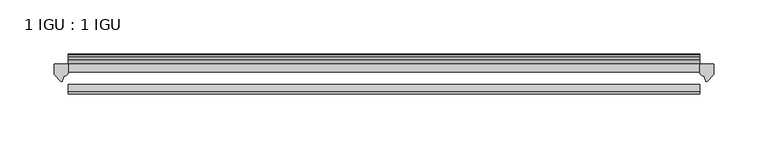
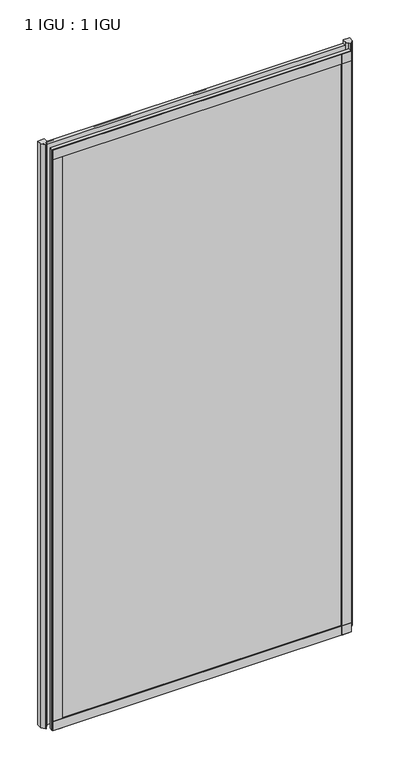
"""IFC4 building model written with IfcOpenShell, lengths in millimetres: plate geometry, 1 IGU : 1 IGU."""

import ifcopenshell
import ifcopenshell.guid

model = None  # the IFC model being written
_history = None  # IfcOwnerHistory: only IFC2X3 demands one
_inside = {}  # id of a spatial element -> (the spatial element, [elements in it])
_under = {}  # id of a project, library or spatial element -> (it, [spatial elements below it])
_declared = {}  # id of a project -> (the project, [libraries it declares])
_typed = {}  # id of a type object -> (the type object, [elements of that type])
_made_of = {}  # id of a material, layer set ... -> (it, [elements and type objects made of it])


def new_model(schema):
    """Start an empty IFC model of exactly this schema.

    Asked for "IFC4X3", IfcOpenShell would pick the latest addendum, in which some entities
    have other attributes; the version numbers below select the first issue.
    IFC2X3 requires an IfcOwnerHistory on every rooted entity: one is made here for all.
    """
    global model, _history
    if schema == "IFC4X3":
        model = ifcopenshell.file(schema_version=(4, 3, 0, 0))
    else:
        model = ifcopenshell.file(schema=schema)
    _inside.clear()
    _under.clear()
    _declared.clear()
    _typed.clear()
    _made_of.clear()
    _history = None
    if model.schema == "IFC2X3":
        org = make("IfcOrganization", Name="unknown")
        user = make(
            "IfcPersonAndOrganization",
            ThePerson=make("IfcPerson", FamilyName="unknown"),
            TheOrganization=org,
        )
        app = make(
            "IfcApplication",
            ApplicationDeveloper=org,
            Version="unknown",
            ApplicationFullName="unknown",
            ApplicationIdentifier="unknown",
        )
        _history = make(
            "IfcOwnerHistory",
            OwningUser=user,
            OwningApplication=app,
            ChangeAction="ADDED",
            CreationDate=0,
        )
    return model


def make(cls, **values):
    """One entity of the class cls with the attributes given. An attribute that is None is left unset."""
    return model.create_entity(
        cls, **{name: value for name, value in values.items() if value is not None}
    )


def rooted(cls, **values):
    """An entity with a GlobalId (a new one), such as an element, a storey or a relation."""
    return make(cls, GlobalId=ifcopenshell.guid.new(), OwnerHistory=_history, **values)


def si_unit(unit_type, name, prefix=None):
    """IfcSIUnit, for example si_unit("LENGTHUNIT", "METRE", prefix="MILLI")."""
    return make("IfcSIUnit", UnitType=unit_type, Prefix=prefix, Name=name)


def assignment(units):
    """IfcUnitAssignment: the units of a project."""
    return None if units is None else make("IfcUnitAssignment", Units=units)


def point(xyz):
    """IfcCartesianPoint."""
    return None if xyz is None else make("IfcCartesianPoint", Coordinates=xyz)


def direction(xyz):
    """IfcDirection."""
    return None if xyz is None else make("IfcDirection", DirectionRatios=xyz)


def frame(location, z_axis=None, x_axis=None):
    """IfcAxis2Placement3D, a coordinate frame: its origin and axes. An axis left out is left unset."""
    return make(
        "IfcAxis2Placement3D",
        Location=point(location),
        Axis=direction(z_axis),
        RefDirection=direction(x_axis),
    )


def frame_2d(location, x_axis=None):
    """IfcAxis2Placement2D, a coordinate frame in the plane: its origin and x axis."""
    return make(
        "IfcAxis2Placement2D", Location=point(location), RefDirection=direction(x_axis)
    )


def origin():
    """The frame at (0, 0, 0) with its axes left unset."""
    return frame((0.0, 0.0, 0.0))


def place(relative_to, where):
    """IfcLocalPlacement: puts the frame where relative to a parent placement (None: the world)."""
    return make(
        "IfcLocalPlacement", PlacementRelTo=relative_to, RelativePlacement=where
    )


def context(
    kind, dimensions, precision=None, world=None, true_north=None, identifier=None
):
    """IfcGeometricRepresentationContext, for example the 3D "Model" context."""
    return make(
        "IfcGeometricRepresentationContext",
        ContextIdentifier=identifier,
        ContextType=kind,
        CoordinateSpaceDimension=dimensions,
        Precision=precision,
        WorldCoordinateSystem=world,
        TrueNorth=true_north,
    )


def project(units=None, contexts=None):
    """IfcProject with its units and contexts."""
    return rooted(
        "IfcProject",
        Name="project",
        RepresentationContexts=contexts,
        UnitsInContext=assignment(units),
    )


def spatial(cls, under=None, at=None, **own):
    """A site, building, storey or space (cls), placed at a placement, below another one or the project."""
    s = rooted(cls, ObjectPlacement=at, **own)
    if under is not None:
        _under.setdefault(under.id(), (under, []))[1].append(s)
    return s


def polyline(points):
    """IfcPolyline through the points."""
    return make("IfcPolyline", Points=[point(p) for p in points])


def circle_curve(where, radius):
    """IfcCircle in the frame where."""
    return make("IfcCircle", Position=where, Radius=radius)


def trimmed(basis, trim1, trim2, sense, master):
    """IfcTrimmedCurve: the piece of a basis curve between two trims."""
    return make(
        "IfcTrimmedCurve",
        BasisCurve=basis,
        Trim1=trim1,
        Trim2=trim2,
        SenseAgreement=sense,
        MasterRepresentation=master,
    )


def segment(curve, same_sense, transition):
    """IfcCompositeCurveSegment."""
    return make(
        "IfcCompositeCurveSegment",
        Transition=transition,
        SameSense=same_sense,
        ParentCurve=curve,
    )


def composite_curve(segments, self_intersect=None):
    """IfcCompositeCurve: segments joined end to end."""
    return make("IfcCompositeCurve", Segments=segments, SelfIntersect=self_intersect)


def outline(outer, holes=None, kind="AREA"):
    """IfcArbitraryClosedProfileDef: a profile drawn as a closed curve; with holes, ...WithVoids."""
    if holes is None:
        return make("IfcArbitraryClosedProfileDef", ProfileType=kind, OuterCurve=outer)
    return make(
        "IfcArbitraryProfileDefWithVoids",
        ProfileType=kind,
        OuterCurve=outer,
        InnerCurves=holes,
    )


def extrude(swept, where, along, depth):
    """IfcExtrudedAreaSolid: the profile swept, set in the frame where, extruded along a direction by depth."""
    return make(
        "IfcExtrudedAreaSolid",
        SweptArea=swept,
        Position=where,
        ExtrudedDirection=direction(along),
        Depth=depth,
    )


def shape(context_of_items, identifier, shape_type, items):
    """IfcShapeRepresentation: the items that make up one representation, for example the "Body"."""
    return make(
        "IfcShapeRepresentation",
        ContextOfItems=context_of_items,
        RepresentationIdentifier=identifier,
        RepresentationType=shape_type,
        Items=items,
    )


def source(mapping_origin, context_of_items, identifier, shape_type, items):
    """IfcRepresentationMap: a shape defined once, which mapped items show again and again."""
    return make(
        "IfcRepresentationMap",
        MappingOrigin=mapping_origin,
        MappedRepresentation=shape(context_of_items, identifier, shape_type, items),
    )


def transform(
    local_origin,
    x_axis=None,
    y_axis=None,
    z_axis=None,
    scale=None,
    scale2=None,
    scale3=None,
    uniform=True,
):
    """IfcCartesianTransformationOperator3D, or its non-uniform kind. x_axis, y_axis, z_axis: its Axis1, 2, 3."""
    if uniform:
        return make(
            "IfcCartesianTransformationOperator3D",
            Axis1=direction(x_axis),
            Axis2=direction(y_axis),
            LocalOrigin=point(local_origin),
            Scale=scale,
            Axis3=direction(z_axis),
        )
    return make(
        "IfcCartesianTransformationOperator3DnonUniform",
        Axis1=direction(x_axis),
        Axis2=direction(y_axis),
        LocalOrigin=point(local_origin),
        Scale=scale,
        Axis3=direction(z_axis),
        Scale2=scale2,
        Scale3=scale3,
    )


def mapped(mapping_source, mapping_target):
    """IfcMappedItem: shows the shape of a source again, moved by a transform."""
    return make(
        "IfcMappedItem", MappingSource=mapping_source, MappingTarget=mapping_target
    )


def made_of(thing, what):
    """Note that an element or type object is made of a material, layer set ...; save() writes the relation."""
    if what is not None:
        _made_of.setdefault(what.id(), (what, []))[1].append(thing)
    return thing


def element(
    cls,
    number,
    at=None,
    inside=None,
    cuts=None,
    type_object=None,
    material=None,
    context=None,
    identifier="Body",
    shape_type=None,
    held_by="IfcProductDefinitionShape",
    body=None,
    shapes=None,
    **own,
):
    """One element of the class cls, such as IfcWall. Its Tag is "e" and its number.

    at: its placement. inside: the storey or other place that contains it. cuts: it is an
    opening in that element (IfcRelVoidsElement). A single representation is given by context,
    identifier, shape_type and body (its items); several are given by shapes. held_by: the class
    of the entity that holds the representations. save() writes the other relations.
    """
    e = rooted(cls, Tag="e%d" % number, ObjectPlacement=at, **own)
    if body is not None:
        shapes = [shape(context, identifier, shape_type, body)]
    if shapes is not None:
        e.Representation = make(held_by, Representations=shapes)
    if inside is not None:
        _inside.setdefault(inside.id(), (inside, []))[1].append(e)
    if cuts is not None:
        rooted(
            "IfcRelVoidsElement", RelatingBuildingElement=cuts, RelatedOpeningElement=e
        )
    if type_object is not None:
        _typed.setdefault(type_object.id(), (type_object, []))[1].append(e)
    return made_of(e, material)


def aggregate(whole, parts):
    """IfcRelAggregates: a whole, such as a stair, and the parts it consists of."""
    return rooted("IfcRelAggregates", RelatingObject=whole, RelatedObjects=parts)


def save(model, path):
    """Write the relations noted so far, then the file.

    IfcRelAggregates (storeys below a building ...), IfcRelContainedInSpatialStructure (elements
    in a storey), IfcRelDefinesByType, IfcRelAssociatesMaterial and IfcRelDeclares: one each for
    every whole, place, type object, material and project.
    """
    for whole, parts in _under.values():
        aggregate(whole, parts)
    for where, things in _inside.values():
        rooted(
            "IfcRelContainedInSpatialStructure",
            RelatedElements=things,
            RelatingStructure=where,
        )
    for kind, things in _typed.values():
        rooted("IfcRelDefinesByType", RelatedObjects=things, RelatingType=kind)
    for what, things in _made_of.values():
        rooted("IfcRelAssociatesMaterial", RelatedObjects=things, RelatingMaterial=what)
    for by, libraries in _declared.values():
        rooted("IfcRelDeclares", RelatingContext=by, RelatedDefinitions=libraries)
    model.write(path)


def plate_1_igu_1_igu_8da47ece(model_context):
    return source(origin(), model_context, "Body", "SweptSolid", [
        extrude(outline(polyline([(292.1, -11.6085937), (292.1, -18.8576359), (-292.1, -18.8576359), (-292.1, -11.6085937), (292.1, -11.6085937)])), frame((0.0, 0.0, -19.05), z_axis=(0.0, 0.0, 1.0), x_axis=(1.0, 0.0, 0.0)), (0.0, 0.0, 1.0), 1200.15),
        extrude(outline(polyline([(-292.1, -30.7093937), (292.1, -30.7093937), (292.1, -37.0085937), (-292.1, -37.0085937), (-292.1, -30.7093937)])), frame((0.0, 0.0, -19.05), z_axis=(0.0, 0.0, 1.0), x_axis=(1.0, 0.0, 0.0)), (0.0, 0.0, 1.0), 1200.15),
        extrude(outline(composite_curve([segment(polyline([(305.1779091, -11.6101465), (304.8, -21.3502133), (298.8619467, -27.6095865)]), True, "CONTINUOUS"), segment(trimmed(circle_curve(frame_2d((298.1891407, -27.2518492)), 0.762), [point((298.8619467, -27.6095865))], [point((297.4604364, -27.4746364))], False, "CARTESIAN"), True, "CONTINUOUS"), segment(polyline([(297.4604364, -27.4746364), (296.1986019, -23.3488397)]), True, "CONTINUOUS"), segment(trimmed(circle_curve(frame_2d((298.380559, -16.3834724)), 7.2991286), [point((296.1986019, -23.3488397))], [point((292.1001786, -20.1028944))], False, "CARTESIAN"), True, "CONTINUOUS"), segment(polyline([(292.1001786, -20.1028944), (292.1001786, -12.664425)]), True, "CONTINUOUS"), segment(trimmed(circle_curve(frame_2d((298.3814331, -16.3827796)), 7.2993369), [point((292.1001786, -12.664425))], [point((292.858545, -11.6101465))], False, "CARTESIAN"), True, "CONTINUOUS"), segment(polyline([(292.858545, -11.6101465), (305.1779091, -11.6101465)]), True, "CONTINUOUS")], self_intersect=False)), frame((0.0, 0.0, -19.05), z_axis=(0.0, 0.0, 1.0), x_axis=(1.0, 0.0, 0.0)), (0.0, 0.0, 1.0), 1207.2874),
        extrude(outline(composite_curve([segment(polyline([(-292.1, -11.610702), (-292.1, -20.1014769)]), True, "CONTINUOUS"), segment(trimmed(circle_curve(frame_2d((-298.3811943, -16.3829847)), 7.2993552), [point((-292.1, -20.1014769))], [point((-296.1989498, -23.3484994))], False, "CARTESIAN"), True, "CONTINUOUS"), segment(polyline([(-296.1989498, -23.3484994), (-297.4604364, -27.4746364)]), True, "CONTINUOUS"), segment(trimmed(circle_curve(frame_2d((-298.1891407, -27.2518492)), 0.762), [point((-297.4604364, -27.4746364))], [point((-298.8619467, -27.6095865))], False, "CARTESIAN"), True, "CONTINUOUS"), segment(polyline([(-298.8619467, -27.6095865), (-304.8, -21.3502133), (-305.1779091, -11.610702), (-292.1, -11.610702)]), True, "CONTINUOUS")], self_intersect=False)), frame((0.0, 0.0, -19.05), z_axis=(0.0, 0.0, 1.0), x_axis=(1.0, 0.0, 0.0)), (0.0, 0.0, 1.0), 1207.2874),
        extrude(outline(polyline([(-292.1, -39.2945937), (-292.1, -37.0085937), (292.1, -37.0085937), (292.1, -39.2945937), (-292.1, -39.2945937)])), frame((0.0, 0.0, -19.05), z_axis=(0.0, 0.0, 1.0), x_axis=(1.0, 0.0, 0.0)), (0.0, 0.0, 1.0), 19.05),
        extrude(outline(composite_curve([segment(trimmed(circle_curve(frame_2d((-2.5575611, 32.8538976)), 31.3272753), [point((-11.6085937, 2.8626158))], [point((-2.2024699, 1.5286348))], True, "CARTESIAN"), True, "CONTINUOUS"), segment(polyline([(-2.2024699, 1.5286348), (-2.2024699, 0.0), (-5.2585937, 0.0), (-5.2585937, -5.2345509), (-3.3544944, -5.5797863), (-5.2585937, -8.255), (-5.2585937, -11.471876)]), True, "CONTINUOUS"), segment(trimmed(circle_curve(frame_2d((-6.5285937, -11.471876)), 1.27), [point((-5.2585937, -11.471876))], [point((-7.4547667, -12.340843))], False, "CARTESIAN"), True, "CONTINUOUS"), segment(polyline([(-7.4547667, -12.340843), (-11.6085937, -7.9135609), (-11.6085937, 2.8626158)]), True, "CONTINUOUS")], self_intersect=False)), frame((-292.1, 0.0, 0.0), z_axis=(1.0, 0.0, 0.0), x_axis=(0.0, 1.0, 0.0)), (0.0, 0.0, 1.0), 584.2),
        extrude(outline(composite_curve([segment(trimmed(circle_curve(frame_2d((-6.5285937, 1173.521876)), 1.27), [point((-7.4547667, 1174.390843))], [point((-5.2585937, 1173.521876))], False, "CARTESIAN"), True, "CONTINUOUS"), segment(polyline([(-5.2585937, 1173.521876), (-5.2585937, 1170.305), (-3.3544944, 1167.6297863), (-5.2585937, 1167.2845509), (-5.2585937, 1162.05), (-2.385052, 1162.05)]), True, "CONTINUOUS"), segment(trimmed(circle_curve(frame_2d((-3.2589487, 1161.5317718)), 1.016), [point((-2.385052, 1162.05))], [point((-3.236916, 1160.5160107))], False, "CARTESIAN"), True, "CONTINUOUS"), segment(trimmed(circle_curve(frame_2d((-2.5575611, 1129.1961024)), 31.3272753), [point((-3.236916, 1160.5160107))], [point((-11.6085937, 1159.1873842))], True, "CARTESIAN"), True, "CONTINUOUS"), segment(polyline([(-11.6085937, 1159.1873842), (-11.6085937, 1169.9635609), (-7.4547667, 1174.390843)]), True, "CONTINUOUS")], self_intersect=False)), frame((-292.1, 0.0, 0.0), z_axis=(1.0, 0.0, 0.0), x_axis=(0.0, 1.0, 0.0)), (0.0, 0.0, 1.0), 584.2),
        extrude(outline(polyline([(-292.1, -39.2945937), (-292.1, -37.0085937), (292.1, -37.0085937), (292.1, -39.2945937), (-292.1, -39.2945937)])), frame((0.0, 0.0, 1162.05), z_axis=(0.0, 0.0, 1.0), x_axis=(1.0, 0.0, 0.0)), (0.0, 0.0, 1.0), 19.05),
        extrude(outline(polyline([(273.05, -37.0085937), (292.1, -37.0085937), (292.1, -39.2945938), (273.05, -39.2945938), (273.05, -37.0085937)])), frame((0.0, 0.0, -19.05), z_axis=(0.0, 0.0, 1.0), x_axis=(1.0, 0.0, 0.0)), (0.0, 0.0, 1.0), 1200.15),
        extrude(outline(polyline([(-292.1, -39.2945937), (-292.1, -37.0085937), (-273.05, -37.0085937), (-273.05, -39.2945937), (-292.1, -39.2945937)])), frame((0.0, 0.0, -19.05), z_axis=(0.0, 0.0, 1.0), x_axis=(1.0, 0.0, 0.0)), (0.0, 0.0, 1.0), 1200.15),
    ])


if __name__ == "__main__":
    model = new_model("IFC4")
    model_context = context("Model", 3, world=origin())
    ifc_project = project(units=[si_unit("LENGTHUNIT", "METRE", prefix="MILLI")], contexts=[model_context])
    site = spatial("IfcSite", under=ifc_project)
    building = spatial("IfcBuilding", under=site)
    placement = place(None, origin())
    plate_1_igu_1_igu_shape = plate_1_igu_1_igu_8da47ece(model_context)
    element("IfcPlate", 1, ObjectType="1 IGU : 1 IGU", at=placement, inside=building, context=model_context, shape_type="MappedRepresentation", body=[
        mapped(plate_1_igu_1_igu_shape, transform((0.0, 0.0, 0.0), x_axis=(1.0, 0.0, 0.0), y_axis=(0.0, 1.0, 0.0), z_axis=(0.0, 0.0, 1.0))),
    ])
    save(model, "model.ifc")
